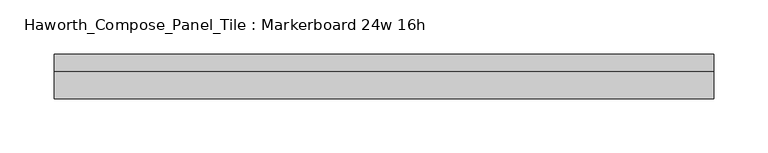
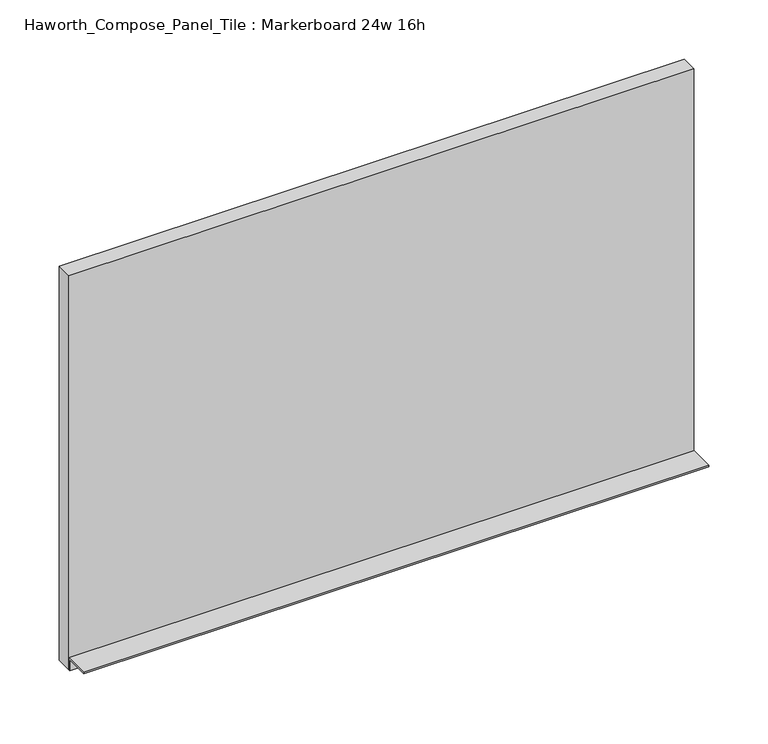
"""IFC4 building model written with IfcOpenShell, lengths in millimetres: furniture geometry, Haworth_Compose_Panel_Tile : Markerboard 24w 16h."""

from ifc_helpers import new_model, si_unit, frame, origin, place, context, project, spatial, polyline, outline, extrude, source, transform, mapped, element, save


def haworth_compose_panel_tile_markerboard_24w_16h_a922fc52(model_context):
    return source(origin(), model_context, "Body", "SweptSolid", [
        extrude(outline(polyline([(307.2402902, -28.8968594), (-302.3597098, -28.8968594), (-302.3597098, -13.0218594), (307.2402902, -13.0218594), (307.2402902, -28.8968594)])), frame((0.0, 0.0, 1066.8), z_axis=(0.0, 0.0, 1.0), x_axis=(1.0, 0.0, 0.0)), (0.0, 0.0, 1.0), 406.4),
        extrude(outline(polyline([(-28.8968594, 1079.5), (-28.8968594, 1066.8), (-30.4843594, 1066.8), (-30.4843594, 1077.9125), (-54.2968594, 1077.9125), (-54.2968594, 1079.5), (-28.8968594, 1079.5)])), frame((-302.3597098, 0.0, 0.0), z_axis=(1.0, 0.0, 0.0), x_axis=(0.0, 1.0, 0.0)), (0.0, 0.0, 1.0), 609.6),
    ])


if __name__ == "__main__":
    model = new_model("IFC4")
    model_context = context("Model", 3, world=origin())
    ifc_project = project(units=[si_unit("LENGTHUNIT", "METRE", prefix="MILLI")], contexts=[model_context])
    site = spatial("IfcSite", under=ifc_project)
    building = spatial("IfcBuilding", under=site)
    placement = place(None, origin())
    haworth_compose_panel_tile_markerboard_24w_16h_shape = haworth_compose_panel_tile_markerboard_24w_16h_a922fc52(model_context)
    element("IfcFurniture", 1, ObjectType="Haworth_Compose_Panel_Tile : Markerboard 24w 16h", at=placement, inside=building, context=model_context, shape_type="MappedRepresentation", body=[
        mapped(haworth_compose_panel_tile_markerboard_24w_16h_shape, transform((0.0, 0.0, 0.0), x_axis=(1.0, 0.0, 0.0), y_axis=(0.0, 1.0, 0.0), z_axis=(0.0, 0.0, 1.0))),
    ])
    save(model, "model.ifc")
